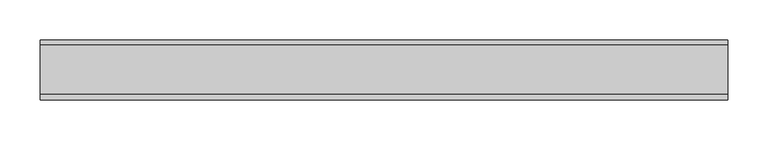
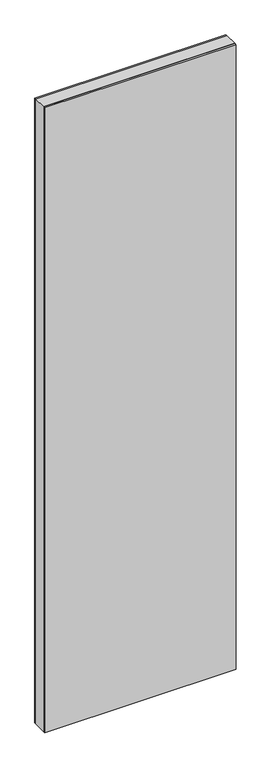
"""IFC4 building model written with IfcOpenShell, lengths in millimetres: plate geometry."""

from ifc_helpers import new_model, si_unit, frame, origin, origin_with_axes, place, context, project, spatial, polyline, outline, extrude, source, transform, mapped, element, save


def plate_e4ff949c(model_context):
    return source(origin(), model_context, "Body", "SweptSolid", [
        extrude(outline(polyline([(2936.0, -425.3847577), (0.0, -425.3847577), (0.0, 425.3847577), (2936.0, 425.3847577), (2936.0, -425.3847577)]), holes=[polyline([(2935.0, -424.3847577), (2935.0, 424.3847577), (1.0, 424.3847577), (1.0, -424.3847577), (2935.0, -424.3847577)])]), frame((0.0, -29.2, 0.0), z_axis=(0.0, 1.0, 0.0), x_axis=(0.0, 0.0, 1.0)), (0.0, 0.0, 1.0), 60.4),
        extrude(outline(polyline([(425.3847577, 31.2), (-425.3847577, 31.2), (-425.3847577, 37.2), (425.3847577, 37.2), (425.3847577, 31.2)])), origin_with_axes(), (0.0, 0.0, 1.0), 2936.0),
        extrude(outline(polyline([(-425.3847577, -37.2), (-425.3847577, -29.2), (425.3847577, -29.2), (425.3847577, -37.2), (-425.3847577, -37.2)])), origin_with_axes(), (0.0, 0.0, 1.0), 2936.0),
    ])


if __name__ == "__main__":
    model = new_model("IFC4")
    model_context = context("Model", 3, world=origin())
    ifc_project = project(units=[si_unit("LENGTHUNIT", "METRE", prefix="MILLI")], contexts=[model_context])
    site = spatial("IfcSite", under=ifc_project)
    building = spatial("IfcBuilding", under=site)
    placement = place(None, origin())
    plate_shape = plate_e4ff949c(model_context)
    element("IfcPlate", 1, at=placement, inside=building, context=model_context, shape_type="MappedRepresentation", body=[
        mapped(plate_shape, transform((0.0, 0.0, 0.0), x_axis=(1.0, 0.0, 0.0), y_axis=(0.0, 1.0, 0.0), z_axis=(0.0, 0.0, 1.0))),
    ])
    save(model, "model.ifc")
